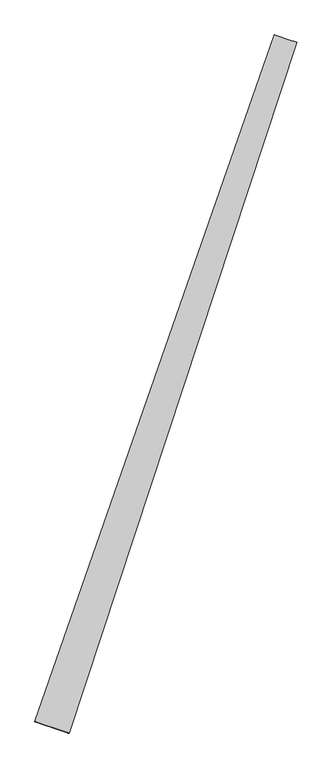
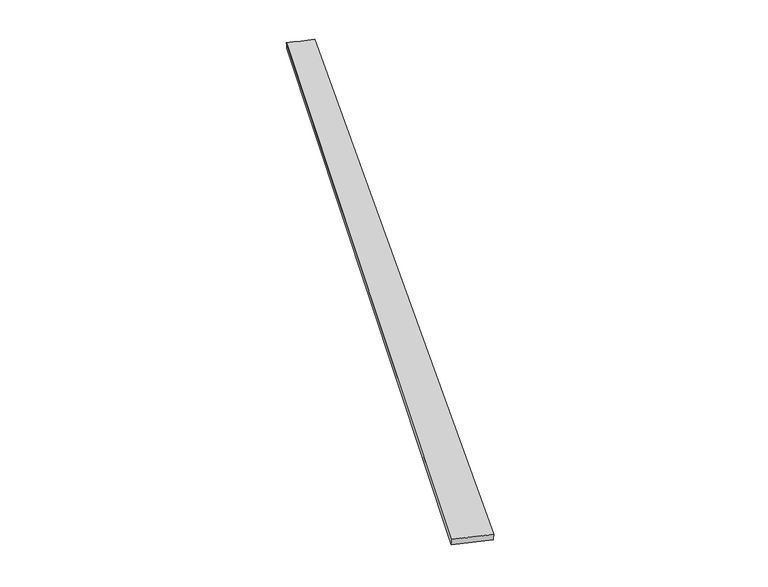
"""IFC4 building model written with IfcOpenShell, lengths in millimetres: proxy geometry."""

from ifc_helpers import new_model, si_unit, origin, place, context, project, spatial, source, transform, mapped, element, save
from ifc_brep_helpers import spline_surface, advanced_brep


def generic_models_9262acd9(model_context):
    return source(origin(), model_context, "Body", "AdvancedBrep", [
        advanced_brep(
        [(-665.1772172, -1685.115617, 0.134358), (-666.9474283, -1684.4951355, 30.0756565), (659.7212652, 2116.3652465, 29.7453629), (661.3607346, 2115.7903939, -0.2042896), (-477.8091587, -1746.8067201, 29.8072396), (784.693054, 2075.1129392, 30.1733926), (-479.5848436, -1746.2172521, -0.1343614), (783.4013262, 2075.5424752, 0.2042929)],
        [
            (0, 1),
            (1, 2),
            (2, 3),
            (3, 0),
            (1, 4),
            (4, 5),
            (5, 2),
            (4, 6),
            (6, 7),
            (7, 5),
            (6, 0),
            (3, 7),
        ],
        [
            spline_surface(1, 1, [[(-665.1772172, -1685.115617, 0.134358), (661.3607346, 2115.7903939, -0.2042896)], [(-666.9474283, -1684.4951355, 30.0756565), (659.7212652, 2116.3652465, 29.7453629)]], [2, 2], [2, 2], [0.0, 1.0], [0.0, 1.0]),
            spline_surface(1, 1, [[(-666.9474283, -1684.4951355, 30.0756565), (659.7212652, 2116.3652465, 29.7453629)], [(-477.8091587, -1746.8067201, 29.8072396), (784.693054, 2075.1129392, 30.1733926)]], [2, 2], [2, 2], [0.0, 1.0], [0.0, 1.0]),
            spline_surface(1, 1, [[(-477.8091587, -1746.8067201, 29.8072396), (784.693054, 2075.1129392, 30.1733926)], [(-479.5848436, -1746.2172521, -0.1343614), (783.4013262, 2075.5424752, 0.2042929)]], [2, 2], [2, 2], [0.0, 1.0], [0.0, 1.0]),
            spline_surface(1, 1, [[(-479.5848436, -1746.2172521, -0.1343614), (783.4013262, 2075.5424752, 0.2042929)], [(-665.1772172, -1685.115617, 0.134358), (661.3607346, 2115.7903939, -0.2042896)]], [2, 2], [2, 2], [0.0, 1.0], [0.0, 1.0]),
            spline_surface(1, 1, [[(659.7212652, 2116.3652465, 29.7453629), (661.3607346, 2115.7903939, -0.2042896)], [(784.693054, 2075.1129392, 30.1733926), (783.4013262, 2075.5424752, 0.2042929)]], [2, 2], [2, 2], [0.0, 1.0], [0.0, 1.0]),
            spline_surface(1, 1, [[(-479.5848436, -1746.2172521, -0.1343614), (-665.1772172, -1685.115617, 0.134358)], [(-477.8091587, -1746.8067201, 29.8072396), (-666.9474283, -1684.4951355, 30.0756565)]], [2, 2], [2, 2], [0.0, 1.0], [0.0, 1.0]),
        ],
        [
            (0, [[1, 2, 3, 4]]),
            (1, [[5, 6, 7, -2]]),
            (2, [[8, 9, 10, -6]]),
            (3, [[11, -4, 12, -9]]),
            (4, [[-3, -7, -10, -12]]),
            (5, [[-11, -8, -5, -1]]),
        ],
    ),
    ])


if __name__ == "__main__":
    model = new_model("IFC4")
    model_context = context("Model", 3, world=origin())
    ifc_project = project(units=[si_unit("LENGTHUNIT", "METRE", prefix="MILLI")], contexts=[model_context])
    site = spatial("IfcSite", under=ifc_project)
    building = spatial("IfcBuilding", under=site)
    placement = place(None, origin())
    generic_models_shape = generic_models_9262acd9(model_context)
    element("IfcBuildingElementProxy", 1, Name="Generic Models", at=placement, inside=building, context=model_context, shape_type="MappedRepresentation", body=[
        mapped(generic_models_shape, transform((0.0, 0.0, 0.0), x_axis=(1.0, 0.0, 0.0), y_axis=(0.0, 1.0, 0.0), z_axis=(0.0, 0.0, 1.0))),
    ])
    save(model, "model.ifc")
